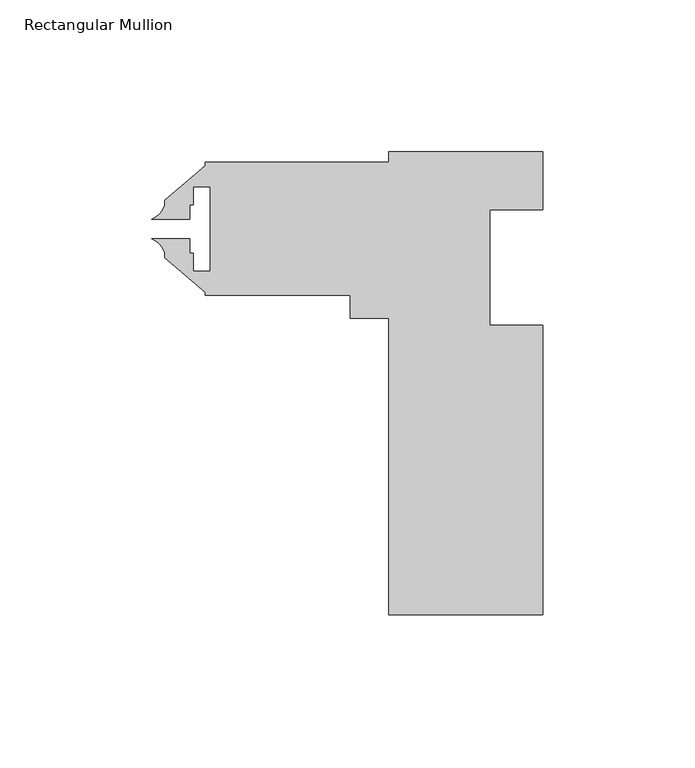
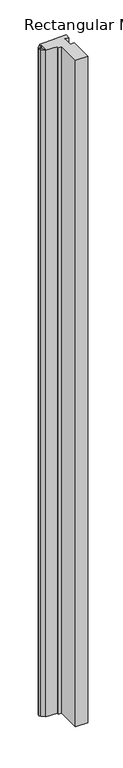
"""IFC4 building model written with IfcOpenShell, lengths in millimetres: member geometry, Rectangular Mullion."""

from ifc_helpers import new_model, si_unit, point, frame, frame_2d, origin, place, context, project, spatial, polyline, circle_curve, trimmed, segment, composite_curve, outline, extrude, source, transform, mapped, element, save


def rectangular_mullion_66455df9(model_context):
    return source(origin(), model_context, "Body", "SweptSolid", [
        extrude(outline(composite_curve([segment(polyline([(25.4, 0.0), (25.4, -19.05), (7.9502, -19.05), (7.9502, -57.15), (25.4, -57.15), (25.4, -152.4), (-25.4, -152.4), (-25.4, -54.7878), (-38.1, -54.7878), (-38.1, -47.2948), (-85.725, -47.2948), (-85.725, -46.2282933), (-99.187, -34.932334), (-99.187, -33.2441997)]), True, "CONTINUOUS"), segment(trimmed(circle_curve(frame_2d((-106.5630024, -35.6343561)), 7.7535965), [point((-99.187, -33.2441997))], [point((-103.3848231, -28.5620555))], True, "CARTESIAN"), True, "CONTINUOUS"), segment(polyline([(-103.3848231, -28.5620555), (-90.89223, -28.5620555), (-90.89223, -33.3248), (-89.7636, -33.3248), (-89.7636, -39.2938), (-84.1502, -39.2938), (-84.1502, -11.5062), (-89.7636, -11.5062), (-89.7636, -17.4752), (-90.89223, -17.4752), (-90.89223, -22.2379379), (-103.3848084, -22.2379379)]), True, "CONTINUOUS"), segment(trimmed(circle_curve(frame_2d((-106.5630024, -15.1656439)), 7.7535965), [point((-103.3848084, -22.2379379))], [point((-99.187, -17.5558003))], True, "CARTESIAN"), True, "CONTINUOUS"), segment(polyline([(-99.187, -17.5558003), (-99.187, -15.867666), (-85.725, -4.5717067), (-85.725, -3.5052), (-25.4, -3.5052), (-25.4, 0.0), (25.4, 0.0)]), True, "CONTINUOUS")], self_intersect=False)), frame((0.0, 0.0, -2895.6), z_axis=(0.0, 0.0, 1.0), x_axis=(1.0, 0.0, 0.0)), (0.0, 0.0, 1.0), 2895.6),
    ])


if __name__ == "__main__":
    model = new_model("IFC4")
    model_context = context("Model", 3, world=origin())
    ifc_project = project(units=[si_unit("LENGTHUNIT", "METRE", prefix="MILLI")], contexts=[model_context])
    site = spatial("IfcSite", under=ifc_project)
    building = spatial("IfcBuilding", under=site)
    placement = place(None, origin())
    rectangular_mullion_shape = rectangular_mullion_66455df9(model_context)
    element("IfcMember", 1, ObjectType="Rectangular Mullion", at=placement, inside=building, context=model_context, shape_type="MappedRepresentation", body=[
        mapped(rectangular_mullion_shape, transform((0.0, 0.0, 0.0), x_axis=(1.0, 0.0, 0.0), y_axis=(0.0, 1.0, 0.0), z_axis=(0.0, 0.0, 1.0))),
    ])
    save(model, "model.ifc")
